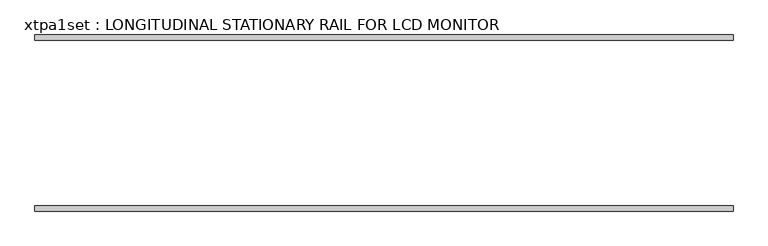
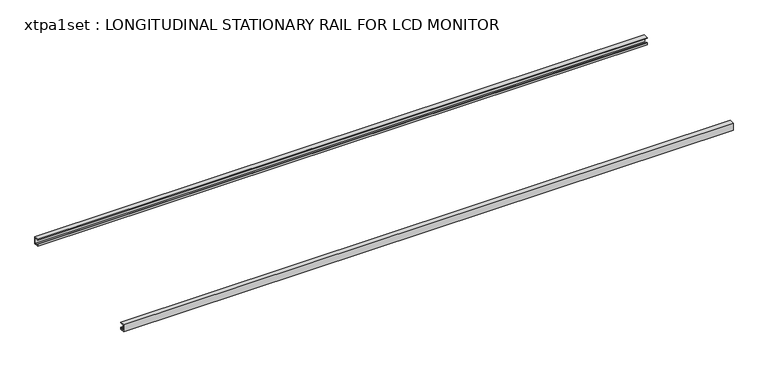
"""IFC4 building model written with IfcOpenShell, lengths in millimetres: proxy geometry, xtpa1set : LONGITUDINAL STATIONARY RAIL FOR LCD MONITOR."""

from ifc_helpers import new_model, si_unit, frame, origin, place, context, project, spatial, polyline, outline, extrude, source, transform, mapped, element, save


def xtpa1set_longitudinal_stationary_rail_for_lcd_monitor_74f19eec(model_context):
    return source(origin(), model_context, "Body", "SweptSolid", [
        extrude(outline(polyline([(730.3743471, 2813.05), (730.3743471, 2743.2), (692.2743471, 2743.2), (685.9243471, 2743.2), (685.9243471, 2762.25), (692.2743471, 2762.25), (692.2743471, 2749.55), (724.0243471, 2749.55), (724.0243471, 2806.7), (685.9243471, 2806.7), (685.9243471, 2813.05), (730.3743471, 2813.05)])), frame((0.0, 0.0, 0.0), z_axis=(1.0, 0.0, 0.0), x_axis=(0.0, 1.0, 0.0)), (0.0, 0.0, 1.0), 5791.20508),
        extrude(outline(polyline([(-730.3743471, 2743.2), (-730.3743471, 2813.05), (-685.9243471, 2813.05), (-685.9243471, 2806.7), (-724.0243471, 2806.7), (-724.0243471, 2749.55), (-692.2743471, 2749.55), (-692.2743471, 2762.25), (-685.9243471, 2762.25), (-685.9243471, 2743.2), (-692.2743471, 2743.2), (-730.3743471, 2743.2)])), frame((0.0, 0.0, 0.0), z_axis=(1.0, 0.0, 0.0), x_axis=(0.0, 1.0, 0.0)), (0.0, 0.0, 1.0), 5791.20508),
    ])


if __name__ == "__main__":
    model = new_model("IFC4")
    model_context = context("Model", 3, world=origin())
    ifc_project = project(units=[si_unit("LENGTHUNIT", "METRE", prefix="MILLI")], contexts=[model_context])
    site = spatial("IfcSite", under=ifc_project)
    building = spatial("IfcBuilding", under=site)
    placement = place(None, origin())
    xtpa1set_longitudinal_stationary_rail_for_lcd_monitor_shape = xtpa1set_longitudinal_stationary_rail_for_lcd_monitor_74f19eec(model_context)
    element("IfcBuildingElementProxy", 1, Name="xtpa1set : LONGITUDINAL STATIONARY RAIL FOR LCD MONITOR", ObjectType="xtpa1set : LONGITUDINAL STATIONARY RAIL FOR LCD MONITOR", at=placement, inside=building, context=model_context, shape_type="MappedRepresentation", body=[
        mapped(xtpa1set_longitudinal_stationary_rail_for_lcd_monitor_shape, transform((0.0, 0.0, 0.0), x_axis=(1.0, 0.0, 0.0), y_axis=(0.0, 1.0, 0.0), z_axis=(0.0, 0.0, 1.0))),
    ])
    save(model, "model.ifc")
